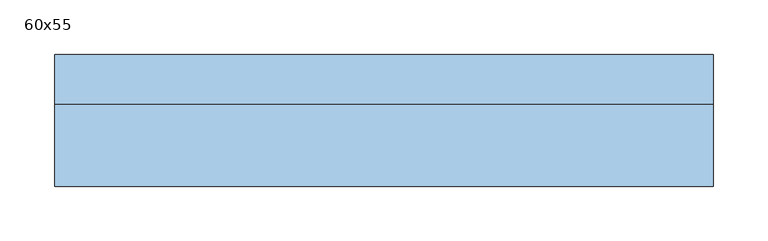
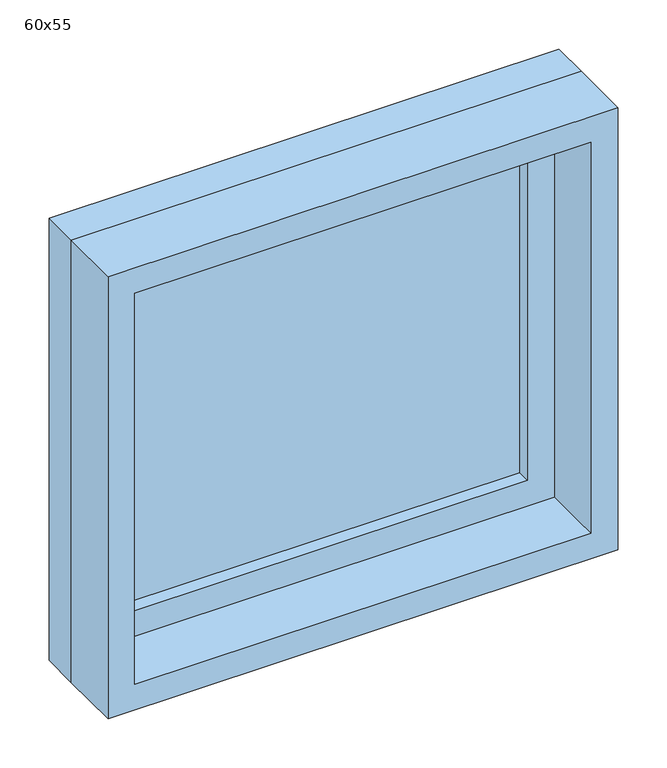
"""IFC4 building model written with IfcOpenShell, lengths in millimetres: window geometry, 60x55."""

from ifc_helpers import new_model, si_unit, frame, origin, place, context, project, spatial, polyline, outline, extrude, source, transform, mapped, element, save


def window_60x55_710fbf53(model_context):
    return source(origin(), model_context, "Body", "SweptSolid", [
        extrude(outline(polyline([(198.4, 30.425), (-274.6, 30.425), (-274.6, 43.125), (198.4, 43.125), (198.4, 30.425)])), frame((0.0, 0.0, 963.5), z_axis=(0.0, 0.0, 1.0), x_axis=(1.0, 0.0, 0.0)), (0.0, 0.0, 1.0), 423.0),
        extrude(outline(polyline([(1430.95, -319.05), (919.05, -319.05), (919.05, 242.85), (1430.95, 242.85), (1430.95, -319.05)]), holes=[polyline([(1386.5, -274.6), (1386.5, 198.4), (963.5, 198.4), (963.5, -274.6), (1386.5, -274.6)])]), frame((0.0, 14.55, 0.0), z_axis=(0.0, 1.0, 0.0), x_axis=(0.0, 0.0, 1.0)), (0.0, 0.0, 1.0), 44.45),
        extrude(outline(polyline([(1450.0, -338.1), (900.0, -338.1), (900.0, 261.9), (1450.0, 261.9), (1450.0, -338.1)]), holes=[polyline([(1418.25, -306.35), (1418.25, 230.15), (931.75, 230.15), (931.75, -306.35), (1418.25, -306.35)])]), frame((0.0, -60.0, 0.0), z_axis=(0.0, 1.0, 0.0), x_axis=(0.0, 0.0, 1.0)), (0.0, 0.0, 1.0), 74.55),
        extrude(outline(polyline([(1450.0, 261.9), (1450.0, -338.1), (900.0, -338.1), (900.0, 261.9), (1450.0, 261.9)]), holes=[polyline([(1430.95, 242.85), (919.05, 242.85), (919.05, -319.05), (1430.95, -319.05), (1430.95, 242.85)])]), frame((0.0, 14.55, 0.0), z_axis=(0.0, 1.0, 0.0), x_axis=(0.0, 0.0, 1.0)), (0.0, 0.0, 1.0), 45.45),
    ])


if __name__ == "__main__":
    model = new_model("IFC4")
    model_context = context("Model", 3, world=origin())
    ifc_project = project(units=[si_unit("LENGTHUNIT", "METRE", prefix="MILLI")], contexts=[model_context])
    site = spatial("IfcSite", under=ifc_project)
    building = spatial("IfcBuilding", under=site)
    placement = place(None, origin())
    window_60x55_shape = window_60x55_710fbf53(model_context)
    element("IfcWindow", 1, ObjectType="60x55", at=placement, inside=building, context=model_context, shape_type="MappedRepresentation", body=[
        mapped(window_60x55_shape, transform((0.0, 0.0, 0.0), x_axis=(1.0, 0.0, 0.0), y_axis=(0.0, 1.0, 0.0), z_axis=(0.0, 0.0, 1.0))),
    ])
    save(model, "model.ifc")
